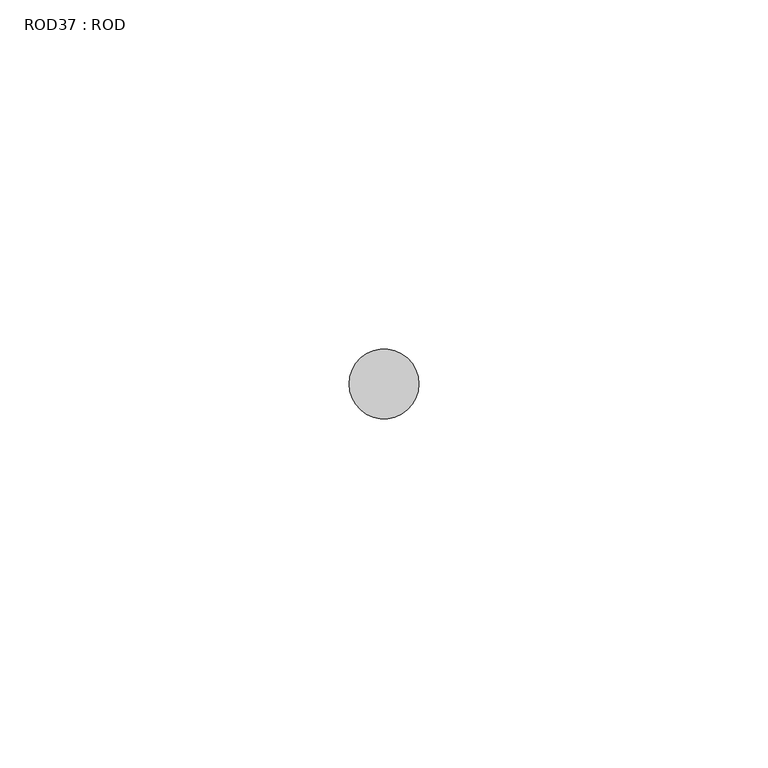
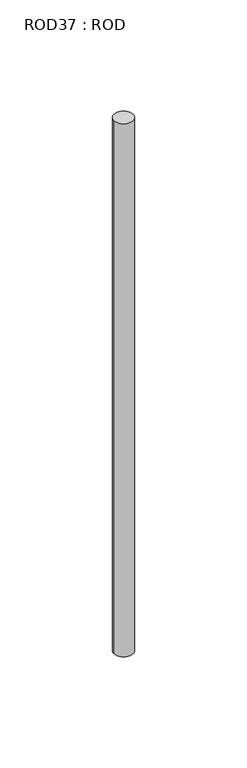
"""IFC4 building model written with IfcOpenShell, lengths in millimetres: proxy geometry, ROD37 : ROD."""

from ifc_helpers import new_model, si_unit, point, frame, frame_2d, origin, place, context, project, spatial, circle_curve, trimmed, segment, composite_curve, outline, extrude, source, transform, mapped, element, save


def rod37_rod_8fa30caa(model_context):
    return source(origin(), model_context, "Body", "SweptSolid", [
        extrude(outline(composite_curve([segment(trimmed(circle_curve(frame_2d((7799.7673324, 833.3971576)), 5.0), [point((7794.7673324, 833.3971576))], [point((7804.7673324, 833.3971576))], False, "CARTESIAN"), True, "CONTINUOUS"), segment(trimmed(circle_curve(frame_2d((7799.7673324, 833.3971576)), 5.0), [point((7804.7673324, 833.3971576))], [point((7794.7673324, 833.3971576))], False, "CARTESIAN"), True, "CONTINUOUS")], self_intersect=False)), frame((0.0, 0.0, -108.6608845), z_axis=(0.0, 0.0, 1.0), x_axis=(1.0, 0.0, 0.0)), (0.0, 0.0, 1.0), 298.9028972),
    ])


if __name__ == "__main__":
    model = new_model("IFC4")
    model_context = context("Model", 3, world=origin())
    ifc_project = project(units=[si_unit("LENGTHUNIT", "METRE", prefix="MILLI")], contexts=[model_context])
    site = spatial("IfcSite", under=ifc_project)
    building = spatial("IfcBuilding", under=site)
    placement = place(None, origin())
    rod37_rod_shape = rod37_rod_8fa30caa(model_context)
    element("IfcBuildingElementProxy", 1, Name="ROD37 : ROD", ObjectType="ROD37 : ROD", at=placement, inside=building, context=model_context, shape_type="MappedRepresentation", body=[
        mapped(rod37_rod_shape, transform((0.0, 0.0, 0.0), x_axis=(1.0, 0.0, 0.0), y_axis=(0.0, 1.0, 0.0), z_axis=(0.0, 0.0, 1.0))),
    ])
    save(model, "model.ifc")
